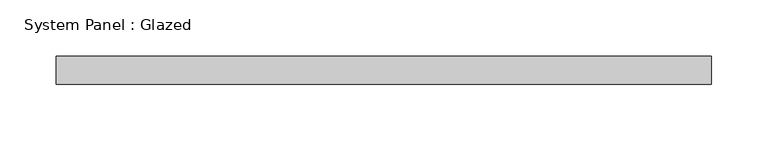
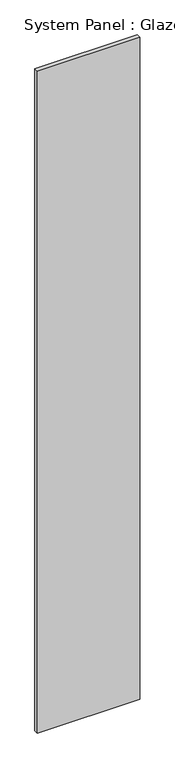
"""IFC4 building model written with IfcOpenShell, lengths in millimetres: plate geometry, System Panel : Glazed."""

from ifc_helpers import new_model, si_unit, origin, origin_with_axes, place, context, project, spatial, polyline, outline, extrude, source, transform, mapped, element, save


def system_panel_glazed_784fb75a(model_context):
    return source(origin(), model_context, "Body", "SweptSolid", [
        extrude(outline(polyline([(292.5000001, 24.5), (-292.5000001, 24.5), (-292.5000001, 49.5), (292.5000001, 49.5), (292.5000001, 24.5)])), origin_with_axes(), (0.0, 0.0, 1.0), 4000.0),
    ])


if __name__ == "__main__":
    model = new_model("IFC4")
    model_context = context("Model", 3, world=origin())
    ifc_project = project(units=[si_unit("LENGTHUNIT", "METRE", prefix="MILLI")], contexts=[model_context])
    site = spatial("IfcSite", under=ifc_project)
    building = spatial("IfcBuilding", under=site)
    placement = place(None, origin())
    system_panel_glazed_shape = system_panel_glazed_784fb75a(model_context)
    element("IfcPlate", 1, ObjectType="System Panel : Glazed", at=placement, inside=building, context=model_context, shape_type="MappedRepresentation", body=[
        mapped(system_panel_glazed_shape, transform((0.0, 0.0, 0.0), x_axis=(1.0, 0.0, 0.0), y_axis=(0.0, 1.0, 0.0), z_axis=(0.0, 0.0, 1.0))),
    ])
    save(model, "model.ifc")
